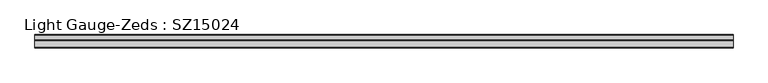
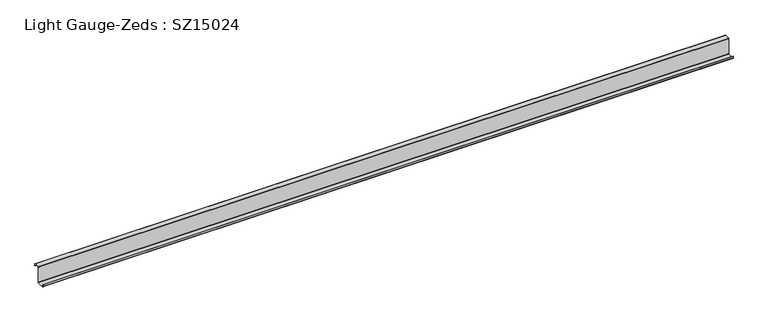
"""IFC4 building model written with IfcOpenShell, lengths in millimetres: beam geometry, Light Gauge-Zeds : SZ15024."""

from ifc_helpers import new_model, si_unit, point, frame, frame_2d, origin, place, context, project, spatial, polyline, circle_curve, trimmed, segment, composite_curve, outline, extrude, source, transform, mapped, element, save


def light_gauge_zeds_sz15024_f229b24f(model_context):
    return source(origin(), model_context, "Body", "SweptSolid", [
        extrude(outline(composite_curve([segment(trimmed(circle_curve(frame_2d((-4.4, -71.6)), 4.4), [point((0.0, -71.6))], [point((-4.4, -76.0))], False, "CARTESIAN"), True, "CONTINUOUS"), segment(polyline([(-4.4, -76.0), (-65.6, -76.0)]), True, "CONTINUOUS"), segment(trimmed(circle_curve(frame_2d((-65.6, -71.6)), 4.4), [point((-65.6, -76.0))], [point((-70.0, -71.6))], False, "CARTESIAN"), True, "CONTINUOUS"), segment(polyline([(-70.0, -71.6), (-70.0, -56.0), (-67.6, -56.0), (-67.6, -71.6)]), True, "CONTINUOUS"), segment(trimmed(circle_curve(frame_2d((-65.6, -71.6)), 2.0), [point((-67.6, -71.6))], [point((-65.6, -73.6))], True, "CARTESIAN"), True, "CONTINUOUS"), segment(polyline([(-65.6, -73.6), (-4.4, -73.6)]), True, "CONTINUOUS"), segment(trimmed(circle_curve(frame_2d((-4.4, -71.6)), 2.0), [point((-4.4, -73.6))], [point((-2.4, -71.6))], True, "CARTESIAN"), True, "CONTINUOUS"), segment(polyline([(-2.4, -71.6), (-2.4, 71.6)]), True, "CONTINUOUS"), segment(trimmed(circle_curve(frame_2d((2.0, 71.6)), 4.4), [point((-2.4, 71.6))], [point((2.0, 76.0))], False, "CARTESIAN"), True, "CONTINUOUS"), segment(polyline([(2.0, 76.0), (47.6, 76.0)]), True, "CONTINUOUS"), segment(trimmed(circle_curve(frame_2d((47.6, 71.6)), 4.4), [point((47.6, 76.0))], [point((52.0, 71.6))], False, "CARTESIAN"), True, "CONTINUOUS"), segment(polyline([(52.0, 71.6), (52.0, 57.0), (49.6, 57.0), (49.6, 71.6)]), True, "CONTINUOUS"), segment(trimmed(circle_curve(frame_2d((47.6, 71.6)), 2.0), [point((49.6, 71.6))], [point((47.6, 73.6))], True, "CARTESIAN"), True, "CONTINUOUS"), segment(polyline([(47.6, 73.6), (2.0, 73.6)]), True, "CONTINUOUS"), segment(trimmed(circle_curve(frame_2d((2.0, 71.6)), 2.0), [point((2.0, 73.6))], [point((0.0, 71.6))], True, "CARTESIAN"), True, "CONTINUOUS"), segment(polyline([(0.0, 71.6), (0.0, -71.6)]), True, "CONTINUOUS")], self_intersect=False)), frame((-2877.0, 0.0, 0.0), z_axis=(1.0, 0.0, 0.0), x_axis=(0.0, 1.0, 0.0)), (0.0, 0.0, 1.0), 6277.0),
    ])


if __name__ == "__main__":
    model = new_model("IFC4")
    model_context = context("Model", 3, world=origin())
    ifc_project = project(units=[si_unit("LENGTHUNIT", "METRE", prefix="MILLI")], contexts=[model_context])
    site = spatial("IfcSite", under=ifc_project)
    building = spatial("IfcBuilding", under=site)
    placement = place(None, origin())
    light_gauge_zeds_sz15024_shape = light_gauge_zeds_sz15024_f229b24f(model_context)
    element("IfcBeam", 1, ObjectType="Light Gauge-Zeds : SZ15024", at=placement, inside=building, context=model_context, shape_type="MappedRepresentation", body=[
        mapped(light_gauge_zeds_sz15024_shape, transform((0.0, 0.0, 0.0), x_axis=(1.0, 0.0, 0.0), y_axis=(0.0, 1.0, 0.0), z_axis=(0.0, 0.0, 1.0))),
    ])
    save(model, "model.ifc")
